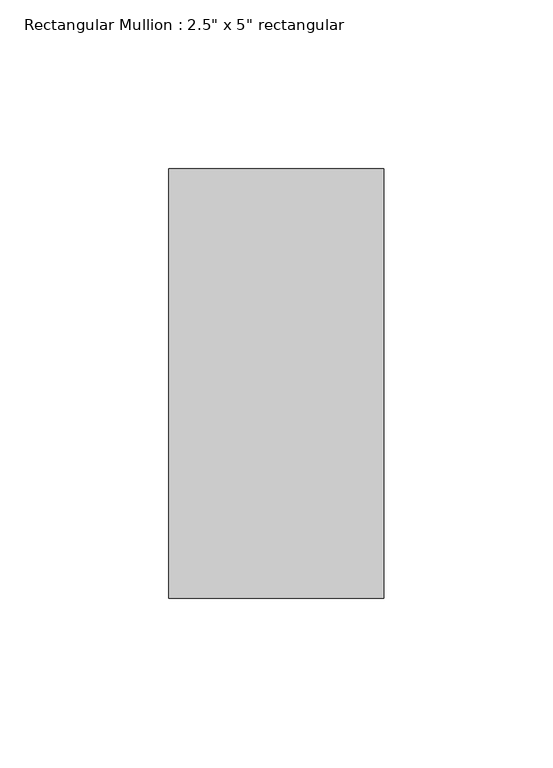
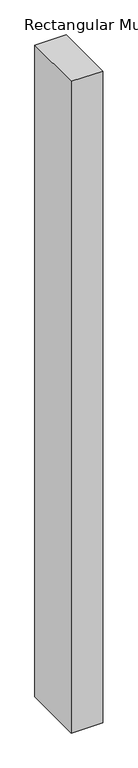
"""IFC4 building model written with IfcOpenShell, lengths in millimetres: member geometry."""

from ifc_helpers import new_model, si_unit, frame, origin, place, context, project, spatial, polyline, outline, extrude, source, transform, mapped, element, save


def member_ee5a3933(model_context):
    return source(origin(), model_context, "Body", "SweptSolid", [
        extrude(outline(polyline([(0.0, 63.5), (0.0, -63.5), (-63.5, -63.5), (-63.5, 63.5), (0.0, 63.5)])), frame((0.0, 0.0, -1388.5333333), z_axis=(0.0, 0.0, 1.0), x_axis=(1.0, 0.0, 0.0)), (0.0, 0.0, 1.0), 1388.5333333),
    ])


if __name__ == "__main__":
    model = new_model("IFC4")
    model_context = context("Model", 3, world=origin())
    ifc_project = project(units=[si_unit("LENGTHUNIT", "METRE", prefix="MILLI")], contexts=[model_context])
    site = spatial("IfcSite", under=ifc_project)
    building = spatial("IfcBuilding", under=site)
    placement = place(None, origin())
    member_shape = member_ee5a3933(model_context)
    element("IfcMember", 1, ObjectType="Rectangular Mullion : 2.5\" x 5\" rectangular", at=placement, inside=building, context=model_context, shape_type="MappedRepresentation", body=[
        mapped(member_shape, transform((0.0, 0.0, 0.0), x_axis=(1.0, 0.0, 0.0), y_axis=(0.0, 1.0, 0.0), z_axis=(0.0, 0.0, 1.0))),
    ])
    save(model, "model.ifc")
